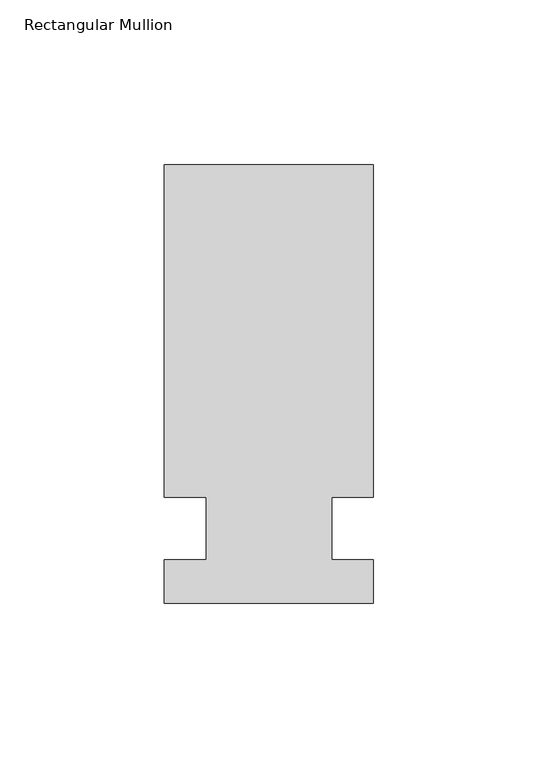
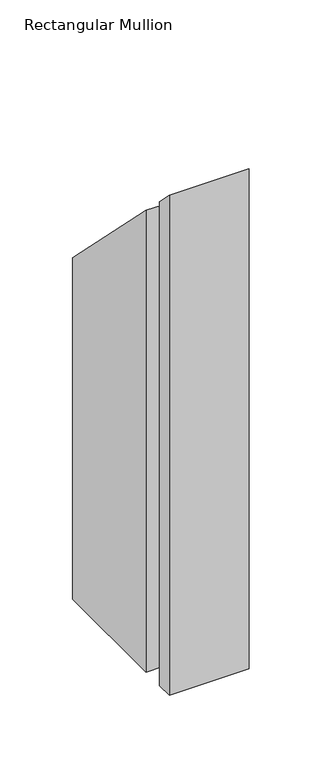
"""IFC4 building model written with IfcOpenShell, lengths in millimetres: member geometry, Rectangular Mullion."""

from ifc_helpers import new_model, si_unit, origin, place, context, project, spatial, faceted_brep, source, transform, mapped, element, save


def rectangular_mullion_9b00e7d9(model_context):
    return source(origin(), model_context, "Body", "Brep", [
        faceted_brep([(-63.5, 133.4396937, -420.0919115), (0.0, 133.4396937, -420.0919115), (0.0, 32.2460937, -420.0919115), (-12.7, 32.2460937, -420.0919115), (-12.7, 13.1960937, -420.0919115), (0.0, 13.1960937, -420.0919115), (0.0, 0.0134937, -420.0919115), (-63.5, 0.0134937, -420.0919115), (-63.5, 13.1960937, -420.0919115), (-50.8, 13.1960937, -420.0919115), (-50.8, 32.2460937, -420.0919115), (-63.5, 32.2460938, -420.0919115), (-63.5, 32.2460938, -32.2460937), (-63.5, 133.4396937, -133.4396937), (-50.8, 32.2460937, -32.2460937), (-50.8, 13.1960937, -13.1960937), (-63.5, 13.1960937, -13.1960937), (-63.5, 0.0134937, -0.0134937), (0.0, 0.0134937, -0.0134937), (0.0, 13.1960937, -13.1960937), (-12.7, 13.1960937, -13.1960937), (-12.7, 32.2460937, -32.2460937), (0.0, 32.2460937, -32.2460937), (0.0, 133.4396937, -133.4396937)], [[[0, 1, 2, 3, 4, 5, 6, 7, 8, 9, 10, 11]], [[12, 13, 0, 11]], [[14, 12, 11, 10]], [[15, 14, 10, 9]], [[16, 15, 9, 8]], [[17, 16, 8, 7]], [[18, 17, 7, 6]], [[19, 18, 6, 5]], [[20, 19, 5, 4]], [[21, 20, 4, 3]], [[22, 21, 3, 2]], [[23, 22, 2, 1]], [[13, 23, 1, 0]], [[13, 12, 14, 15, 16, 17, 18, 19, 20, 21, 22, 23]]]),
    ])


if __name__ == "__main__":
    model = new_model("IFC4")
    model_context = context("Model", 3, world=origin())
    ifc_project = project(units=[si_unit("LENGTHUNIT", "METRE", prefix="MILLI")], contexts=[model_context])
    site = spatial("IfcSite", under=ifc_project)
    building = spatial("IfcBuilding", under=site)
    placement = place(None, origin())
    rectangular_mullion_shape = rectangular_mullion_9b00e7d9(model_context)
    element("IfcMember", 1, ObjectType="Rectangular Mullion", at=placement, inside=building, context=model_context, shape_type="MappedRepresentation", body=[
        mapped(rectangular_mullion_shape, transform((0.0, 0.0, 0.0), x_axis=(1.0, 0.0, 0.0), y_axis=(0.0, 1.0, 0.0), z_axis=(0.0, 0.0, 1.0))),
    ])
    save(model, "model.ifc")
